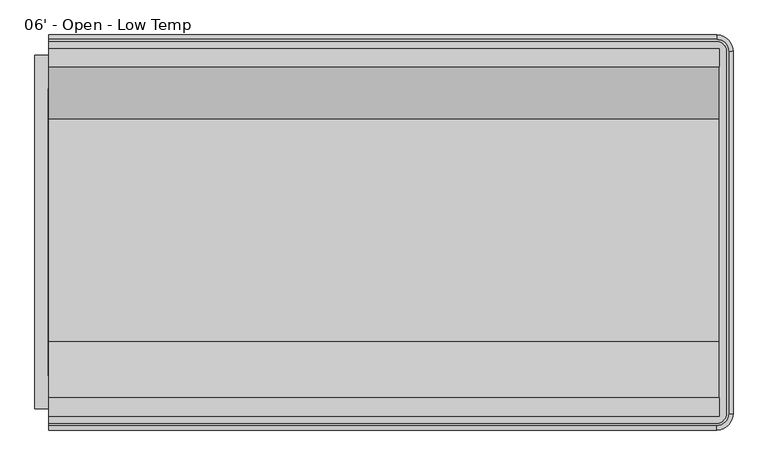
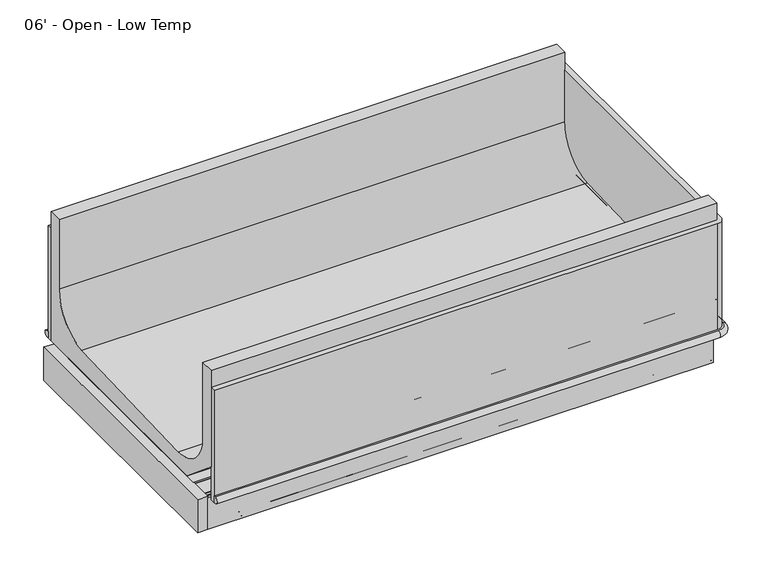
"""IFC4 building model written with IfcOpenShell, lengths in millimetres: proxy geometry, 06' - Open - Low Temp."""

from ifc_helpers import new_model, si_unit, point, frame, frame_2d, origin, place, context, project, spatial, polyline, circle_curve, ellipse_curve, trimmed, segment, composite_curve, outline, extrude, faceted_brep, source, transform, mapped, element, save
from ifc_brep_helpers import plane_surface, cylinder_surface, revolved_surface, advanced_brep


def proxy_06_open_low_temp_5f4c3db3(model_context):
    return source(origin(), model_context, "Body", "SolidModel", [
        extrude(outline(composite_curve([segment(trimmed(circle_curve(frame_2d((1632.6857348, -1195.4118533)), 12.7), [point((1619.9857348, -1195.4118533))], [point((1645.3857348, -1195.4118533))], False, "CARTESIAN"), True, "CONTINUOUS"), segment(trimmed(circle_curve(frame_2d((1632.6857348, -1195.4118533)), 12.7), [point((1645.3857348, -1195.4118533))], [point((1619.9857348, -1195.4118533))], False, "CARTESIAN"), True, "CONTINUOUS")], self_intersect=False)), frame((0.0, 0.0, 267.1357836), z_axis=(0.0, 0.0, 1.0), x_axis=(1.0, 0.0, 0.0)), (0.0, 0.0, 1.0), 111.4880864),
        extrude(outline(composite_curve([segment(trimmed(circle_curve(frame_2d((1582.3411097, -1195.4118533)), 9.525), [point((1572.8161097, -1195.4118533))], [point((1591.8661097, -1195.4118533))], False, "CARTESIAN"), True, "CONTINUOUS"), segment(trimmed(circle_curve(frame_2d((1582.3411097, -1195.4118533)), 9.525), [point((1591.8661097, -1195.4118533))], [point((1572.8161097, -1195.4118533))], False, "CARTESIAN"), True, "CONTINUOUS")], self_intersect=False)), frame((0.0, 0.0, 267.1357836), z_axis=(0.0, 0.0, 1.0), x_axis=(1.0, 0.0, 0.0)), (0.0, 0.0, 1.0), 111.4880864),
        extrude(outline(composite_curve([segment(trimmed(circle_curve(frame_2d((914.4, -1198.5868533)), 38.1), [point((876.3, -1198.5868533))], [point((952.5, -1198.5868533))], False, "CARTESIAN"), True, "CONTINUOUS"), segment(trimmed(circle_curve(frame_2d((914.4, -1198.5868533)), 38.1), [point((952.5, -1198.5868533))], [point((876.3, -1198.5868533))], False, "CARTESIAN"), True, "CONTINUOUS")], self_intersect=False)), frame((0.0, 0.0, 267.1357836), z_axis=(0.0, 0.0, 1.0), x_axis=(1.0, 0.0, 0.0)), (0.0, 0.0, 1.0), 111.4880864),
        extrude(outline(polyline([(247.65, -1413.6237792), (247.65, -1451.7237792), (133.35, -1451.7237792), (133.35, -1413.6237792), (247.65, -1413.6237792)])), frame((0.0, 0.0, 274.6794054), z_axis=(0.0, 0.0, 1.0), x_axis=(1.0, 0.0, 0.0)), (0.0, 0.0, 1.0), 6.35),
        advanced_brep(
        [(0.0, -1496.0833013, 358.14512), (0.0, -1496.0833013, 332.74512), (0.0, -1502.3063013, 332.74512), (0.0, -1502.3063013, 358.14512), (0.0, -427.7095533, 358.14512), (0.0, -421.4865533, 358.14512), (0.0, -421.4865533, 332.74512), (0.0, -427.7095533, 332.74512), (1870.71, -1502.3063013, 358.14512), (1904.072374, -1468.9439273, 358.14512), (1904.072374, -454.8489273, 358.14512), (1870.71, -421.4865533, 358.14512), (1870.71, -427.7095533, 358.14512), (1897.849374, -454.8489273, 358.14512), (1897.849374, -1468.9439273, 358.14512), (1870.71, -1496.0833013, 358.14512), (1870.71, -421.4865533, 332.74512), (1870.71, -1496.0833013, 332.74512), (1897.849374, -1468.9439273, 332.74512), (1897.849374, -454.8489273, 332.74512), (1870.71, -427.7095533, 332.74512), (1904.072374, -454.8489273, 332.74512), (1904.072374, -1468.9439273, 332.74512), (1870.71, -1502.3063013, 332.74512)],
        [
            (0, 1),
            (1, 2),
            (2, 3, circle_curve(frame((0.0, -1502.3063013, 345.44512), z_axis=(-1.0, 0.0, 0.0), x_axis=(0.0, -1.0, 0.0)), 12.7)),
            (3, 0),
            (4, 5),
            (5, 6, circle_curve(frame((0.0, -421.4865533, 345.44512), z_axis=(-1.0, 0.0, 0.0), x_axis=(0.0, 1.0, 0.0)), 12.7)),
            (6, 7),
            (7, 4),
            (3, 8),
            (8, 9, circle_curve(frame((1870.71, -1468.9439273, 358.14512), z_axis=(0.0, 0.0, 1.0), x_axis=(1.0, 0.0, 0.0)), 33.362374)),
            (9, 10),
            (10, 11, circle_curve(frame((1870.71, -454.8489273, 358.14512), z_axis=(0.0, 0.0, 1.0), x_axis=(0.0, 1.0, 0.0)), 33.362374)),
            (11, 5),
            (4, 12),
            (12, 13, circle_curve(frame((1870.71, -454.8489273, 358.14512), z_axis=(0.0, 0.0, -1.0), x_axis=(0.0, 1.0, 0.0)), 27.139374)),
            (13, 14),
            (14, 15, circle_curve(frame((1870.71, -1468.9439273, 358.14512), z_axis=(0.0, 0.0, -1.0), x_axis=(1.0, 0.0, 0.0)), 27.139374)),
            (15, 0),
            (11, 16, circle_curve(frame((1870.71, -421.4865533, 345.44512), z_axis=(-1.0, 0.0, 0.0), x_axis=(0.0, 1.0, 0.0)), 12.7)),
            (16, 6),
            (1, 17),
            (17, 18, circle_curve(frame((1870.71, -1468.9439273, 332.74512), z_axis=(0.0, 0.0, 1.0), x_axis=(1.0, 0.0, 0.0)), 27.139374)),
            (18, 19),
            (19, 20, circle_curve(frame((1870.71, -454.8489273, 332.74512), z_axis=(0.0, 0.0, 1.0), x_axis=(0.0, 1.0, 0.0)), 27.139374)),
            (20, 7),
            (16, 21, circle_curve(frame((1870.71, -454.8489273, 332.74512), z_axis=(0.0, 0.0, -1.0), x_axis=(0.0, 1.0, 0.0)), 33.362374)),
            (21, 22),
            (22, 23, circle_curve(frame((1870.71, -1468.9439273, 332.74512), z_axis=(0.0, 0.0, -1.0), x_axis=(1.0, 0.0, 0.0)), 33.362374)),
            (23, 2),
            (20, 12),
            (10, 21, circle_curve(frame((1904.072374, -454.8489273, 345.44512), z_axis=(0.0, 1.0, 0.0), x_axis=(1.0, 0.0, 0.0)), 12.7)),
            (19, 13),
            (9, 22, circle_curve(frame((1904.072374, -1468.9439273, 345.44512), z_axis=(0.0, 1.0, 0.0), x_axis=(1.0, 0.0, 0.0)), 12.7)),
            (18, 14),
            (8, 23, circle_curve(frame((1870.71, -1502.3063013, 345.44512), z_axis=(1.0, 0.0, 0.0), x_axis=(0.0, -1.0, 0.0)), 12.7)),
            (17, 15),
        ],
        [
            plane_surface(frame((0.0, -1522.2839273, 717.55), z_axis=(-1.0, 0.0, 0.0), x_axis=(0.0, 0.0, 1.0))),
            plane_surface(frame((0.0, -401.5089273, 717.55), z_axis=(-1.0, 0.0, 0.0), x_axis=(0.0, 0.0, 1.0))),
            plane_surface(frame((0.0, -427.7095533, 358.14512), z_axis=(0.0, 0.0, 1.0), x_axis=(1.0, 0.0, 0.0))),
            cylinder_surface(frame((0.0, -421.4865533, 345.44512), z_axis=(-1.0, 0.0, 0.0), x_axis=(0.0, 1.0, 0.0)), 12.7),
            plane_surface(frame((0.0, -421.4865533, 332.74512), z_axis=(0.0, 0.0, -1.0), x_axis=(1.0, 0.0, 0.0))),
            plane_surface(frame((0.0, -427.7095533, 332.74512), z_axis=(0.0, -1.0, 0.0), x_axis=(1.0, 0.0, 0.0))),
            revolved_surface(trimmed(ellipse_curve(frame((1870.71, -421.4865533, 345.44512), z_axis=(-1.0, 0.0, 0.0), x_axis=(0.0, 1.0, 0.0)), 12.7, 12.7), [point((1870.71, -421.4865533, 358.14512))], [point((1870.71, -421.4865533, 332.74512))], True, "CARTESIAN"), (1870.71, -454.8489273, 717.55), (0.0, 0.0, -1.0)),
            revolved_surface(polyline([(1870.71, -427.70955330000004, 332.74512), (1870.71, -427.70955330000004, 358.14512)]), (1870.71, -454.8489273, 717.55), (0.0, 0.0, -1.0)),
            cylinder_surface(frame((1904.072374, -454.8489273, 345.44512), z_axis=(0.0, 1.0, 0.0), x_axis=(1.0, 0.0, 0.0)), 12.7),
            plane_surface(frame((1897.849374, -454.8489273, 332.74512), z_axis=(-1.0, 0.0, 0.0), x_axis=(0.0, -1.0, 0.0))),
            revolved_surface(trimmed(ellipse_curve(frame((1904.072374, -1468.9439273, 345.44512), z_axis=(0.0, 1.0, 0.0), x_axis=(1.0, 0.0, 0.0)), 12.7, 12.7), [point((1904.072374, -1468.9439273, 358.14512))], [point((1904.072374, -1468.9439273, 332.74512))], True, "CARTESIAN"), (1870.71, -1468.9439273, 717.55), (0.0, 0.0, -1.0)),
            revolved_surface(polyline([(1897.8493740000001, -1468.9439273, 332.74512), (1897.8493740000001, -1468.9439273, 358.14512)]), (1870.71, -1468.9439273, 717.55), (0.0, 0.0, -1.0)),
            cylinder_surface(frame((1870.71, -1502.3063013, 345.44512), z_axis=(1.0, 0.0, 0.0), x_axis=(0.0, -1.0, 0.0)), 12.7),
            plane_surface(frame((1870.71, -1496.0833013, 332.74512), z_axis=(0.0, 1.0, 0.0), x_axis=(-1.0, 0.0, 0.0))),
        ],
        [
            (0, [[1, 2, 3, 4]]),
            (1, [[5, 6, 7, 8]]),
            (2, [[-4, 9, 10, 11, 12, 13, -5, 14, 15, 16, 17, 18]]),
            (3, [[-6, -13, 19, 20]]),
            (4, [[-2, 21, 22, 23, 24, 25, -7, -20, 26, 27, 28, 29]]),
            (5, [[-8, -25, 30, -14]]),
            (6, [[-12, 31, -26, -19]]),
            (7, [[-15, -30, -24, 32]]),
            (8, [[-11, 33, -27, -31]]),
            (9, [[-16, -32, -23, 34]]),
            (10, [[-10, 35, -28, -33]]),
            (11, [[-17, -34, -22, 36]]),
            (12, [[-3, -29, -35, -9]]),
            (13, [[-1, -18, -36, -21]]),
        ],
    ),
        advanced_brep(
        [(1877.7148438, -645.364244, 415.4160788), (1877.7148438, -1266.4759331, 393.268902), (1877.7148438, -1424.2105725, 546.0329855), (1877.7148438, -1424.2105725, 840.41492), (1877.7148438, -1475.9703113, 840.41492), (1877.7148438, -1475.9703113, 460.2391669), (1877.7148438, -1323.1509772, 332.00852), (1877.7148438, -447.8225433, 332.00852), (1877.7148438, -447.8225433, 840.41492), (1877.7148438, -498.2829273, 840.41492), (1877.7148438, -498.2829273, 567.7232408), (0.0, -645.364244, 415.4160788), (0.0, -498.2829273, 567.7232408), (0.0, -498.2829273, 840.41492), (0.0, -447.8225433, 840.41492), (0.0, -447.8225433, 332.00852), (0.0, -1323.1509772, 332.00852), (0.0, -1475.9703113, 460.2391669), (0.0, -1475.9703113, 840.41492), (0.0, -1424.2105725, 840.41492), (0.0, -1424.2105725, 546.0329855), (0.0, -1266.4759331, 393.268902), (914.4, -1248.6431135, 332.00852), (914.4, -1147.0431135, 332.00852), (1608.1375, -1245.4681135, 332.00852), (1608.1375, -1143.8681135, 332.00852), (914.4, -1248.6431135, 378.62387), (914.4, -1147.0431135, 378.62387), (1608.1375, -1245.4681135, 378.62387), (1608.1375, -1143.8681135, 378.62387)],
        [
            (0, 1),
            (1, 2, circle_curve(frame((1877.7148438, -1271.9033854, 545.4803582), z_axis=(-1.0, 0.0, 0.0), x_axis=(0.0, 1.0, 0.0)), 152.3081897)),
            (2, 3),
            (3, 4),
            (4, 5),
            (5, 6),
            (6, 7),
            (7, 8),
            (8, 9),
            (9, 10),
            (10, 0, circle_curve(frame((1877.7148438, -650.6829273, 567.7232408), z_axis=(-1.0, 0.0, 0.0), x_axis=(0.0, 1.0, 0.0)), 152.4)),
            (11, 12, circle_curve(frame((0.0, -650.6829273, 567.7232408), z_axis=(1.0, 0.0, 0.0), x_axis=(0.0, 1.0, 0.0)), 152.4)),
            (12, 13),
            (13, 14),
            (14, 15),
            (15, 16),
            (16, 17),
            (17, 18),
            (18, 19),
            (19, 20),
            (20, 21, circle_curve(frame((0.0, -1271.9033854, 545.4803582), z_axis=(1.0, 0.0, 0.0), x_axis=(0.0, 1.0, 0.0)), 152.3081897)),
            (21, 11),
            (0, 11),
            (21, 1),
            (20, 2),
            (19, 3),
            (18, 4),
            (17, 5),
            (16, 6),
            (15, 7),
            (22, 23, circle_curve(frame((914.4, -1197.8431135, 332.00852), z_axis=(0.0, 0.0, 1.0), x_axis=(0.0, 1.0, 0.0)), 50.8)),
            (23, 22, circle_curve(frame((914.4, -1197.8431135, 332.00852), z_axis=(0.0, 0.0, 1.0), x_axis=(0.0, 1.0, 0.0)), 50.8)),
            (24, 25, circle_curve(frame((1608.1375, -1194.6681135, 332.00852), z_axis=(0.0, 0.0, 1.0), x_axis=(0.0, 1.0, 0.0)), 50.8)),
            (25, 24, circle_curve(frame((1608.1375, -1194.6681135, 332.00852), z_axis=(0.0, 0.0, 1.0), x_axis=(0.0, 1.0, 0.0)), 50.8)),
            (14, 8),
            (13, 9),
            (12, 10),
            (26, 27, circle_curve(frame((914.4, -1197.8431135, 378.62387), z_axis=(0.0, 0.0, -1.0), x_axis=(0.0, 1.0, 0.0)), 50.8)),
            (27, 26, circle_curve(frame((914.4, -1197.8431135, 378.62387), z_axis=(0.0, 0.0, -1.0), x_axis=(0.0, 1.0, 0.0)), 50.8)),
            (27, 23),
            (22, 26),
            (28, 29, circle_curve(frame((1608.1375, -1194.6681135, 378.62387), z_axis=(0.0, 0.0, -1.0), x_axis=(0.0, 1.0, 0.0)), 50.8)),
            (29, 28, circle_curve(frame((1608.1375, -1194.6681135, 378.62387), z_axis=(0.0, 0.0, -1.0), x_axis=(0.0, 1.0, 0.0)), 50.8)),
            (29, 25),
            (24, 28),
        ],
        [
            plane_surface(frame((1877.7148438, -1266.4759331, 393.268902), z_axis=(1.0, 0.0, 0.0), x_axis=(0.0, -0.999364883420705, -0.03563467111565395))),
            plane_surface(frame((0.0, -1266.4759331, 393.268902), z_axis=(-1.0, 0.0, 0.0), x_axis=(0.0, 0.999364883420705, 0.03563467111565395))),
            plane_surface(frame((1877.7148438, -645.364244, 415.4160788), z_axis=(0.0, -0.03563467111565395, 0.999364883420705), x_axis=(-1.0, 0.0, 0.0))),
            revolved_surface(polyline([(0.0, -1119.5951957, 545.4803582), (1877.7148438, -1119.5951957, 545.4803582)]), (0.0, -1271.9033854, 545.4803582), (-1.0, 0.0, 0.0)),
            plane_surface(frame((1877.7148438, -1424.2105725, 546.0329855), z_axis=(0.0, 1.0, 0.0), x_axis=(-1.0, 0.0, 0.0))),
            plane_surface(frame((1877.7148438, -1424.2105725, 840.41492), z_axis=(0.0, 0.0, 1.0), x_axis=(-1.0, 0.0, 0.0))),
            plane_surface(frame((1877.7148438, -1475.9703113, 840.41492), z_axis=(0.0, -1.0, 0.0), x_axis=(-1.0, 0.0, 0.0))),
            plane_surface(frame((1877.7148438, -1475.9703113, 460.2391669), z_axis=(0.0, -0.6427876096896754, -0.7660444431163466), x_axis=(-1.0, 0.0, 0.0))),
            plane_surface(frame((1877.7148438, -1323.1509772, 332.00852), z_axis=(0.0, 0.0, -1.0), x_axis=(-1.0, 0.0, 0.0))),
            plane_surface(frame((1877.7148438, -447.8225433, 332.00852), z_axis=(0.0, 1.0, 0.0), x_axis=(-1.0, 0.0, 0.0))),
            plane_surface(frame((1877.7148438, -447.8225433, 840.41492), z_axis=(0.0, 0.0, 1.0), x_axis=(-1.0, 0.0, 0.0))),
            plane_surface(frame((1877.7148438, -498.2829273, 840.41492), z_axis=(0.0, -1.0, 0.0), x_axis=(-1.0, 0.0, 0.0))),
            revolved_surface(polyline([(0.0, -498.2829273, 567.7232408), (1877.7148438, -498.2829273, 567.7232408)]), (0.0, -650.6829273, 567.7232408), (-1.0, 0.0, 0.0)),
            plane_surface(frame((914.4, -1147.0431135, 378.62387), z_axis=(0.0, 0.0, -1.0), x_axis=(-1.0, 0.0, 0.0))),
            revolved_surface(polyline([(914.4, -1147.0431135000001, 378.62387), (914.4, -1147.0431135000001, 332.00852)]), (914.4, -1197.8431135, 277.02387), (0.0, 0.0, 1.0)),
            plane_surface(frame((1608.1375, -1143.8681135, 378.62387), z_axis=(0.0, 0.0, -1.0), x_axis=(-1.0, 0.0, 0.0))),
            revolved_surface(polyline([(1608.1375, -1143.8681135, 378.62387), (1608.1375, -1143.8681135, 332.00852)]), (1608.1375, -1194.6681135, 277.02387), (0.0, 0.0, 1.0)),
        ],
        [
            (0, [[1, 2, 3, 4, 5, 6, 7, 8, 9, 10, 11]]),
            (1, [[12, 13, 14, 15, 16, 17, 18, 19, 20, 21, 22]]),
            (2, [[-1, 23, -22, 24]]),
            (3, [[-2, -24, -21, 25]]),
            (4, [[-3, -25, -20, 26]]),
            (5, [[-4, -26, -19, 27]]),
            (6, [[-5, -27, -18, 28]]),
            (7, [[-6, -28, -17, 29]]),
            (8, [[-7, -29, -16, 30], [31, 32], [33, 34]]),
            (9, [[-8, -30, -15, 35]]),
            (10, [[-9, -35, -14, 36]]),
            (11, [[-10, -36, -13, 37]]),
            (12, [[-11, -37, -12, -23]]),
            (13, [[38, 39]]),
            (14, [[-39, 40, -31, 41]]),
            (14, [[-38, -41, -32, -40]]),
            (15, [[42, 43]]),
            (16, [[-43, 44, -33, 45]]),
            (16, [[-42, -45, -34, -44]]),
        ],
    ),
        faceted_brep([(1877.7148438, -1455.9322513, 325.9788642), (1877.7148438, -1455.9322513, 202.18277), (1877.7148438, -1445.1118513, 202.18277), (1877.7148438, -1445.1118513, 325.9788642), (0.0, -1455.9322513, 325.9788642), (0.0, -1445.1118513, 325.9788642), (0.0, -1445.1118513, 202.18277), (0.0, -1455.9322513, 202.18277), (133.35, -1445.1118513, 202.18277), (133.35, -1451.7237792, 202.18277), (247.65, -1451.7237792, 202.18277), (247.65, -1445.1118513, 202.18277), (247.65, -1445.1118513, 281.0294054), (133.35, -1445.1118513, 281.0294054), (247.65, -1451.7237792, 281.0294054), (133.35, -1451.7237792, 281.0294054)], [[[0, 1, 2, 3]], [[4, 5, 6, 7]], [[1, 0, 4, 7]], [[2, 1, 7, 6, 8, 9, 10, 11]], [[3, 2, 11, 12, 13, 8, 6, 5]], [[0, 3, 5, 4]], [[14, 15, 13, 12]], [[10, 14, 12, 11]], [[15, 14, 10, 9]], [[15, 9, 8, 13]]]),
        faceted_brep([(1877.7148438, -466.0942513, 325.9788642), (1877.7148438, -476.9146513, 325.9788642), (1877.7148438, -476.9146513, 202.18277), (1877.7148438, -466.0942513, 202.18277), (0.0, -466.0942513, 325.9788642), (0.0, -466.0942513, 202.18277), (0.0, -476.9146513, 202.18277), (0.0, -476.9146513, 325.9788642)], [[[0, 1, 2, 3]], [[4, 5, 6, 7]], [[1, 0, 4, 7]], [[2, 1, 7, 6]], [[3, 2, 6, 5]], [[0, 3, 5, 4]]]),
        advanced_brep(
        [(1877.7148438, -1432.4118513, 203.70677), (1877.7148438, -1432.4118513, 218.05777), (1877.7148438, -1430.9132513, 218.05777), (1877.7148438, -1430.9132513, 327.2908141), (1877.7148438, -1432.8052072, 329.18277), (1877.7148438, -1443.5878513, 329.18277), (1877.7148438, -1445.1118513, 327.65877), (1877.7148438, -1445.1118513, 203.7555594), (1877.7148438, -1443.5390619, 202.18277), (1877.7148438, -1433.9358513, 202.18277), (0.0, -1432.4118513, 203.70677), (0.0, -1433.9358513, 202.18277), (0.0, -1443.5390619, 202.18277), (0.0, -1445.1118513, 203.7555594), (0.0, -1445.1118513, 327.65877), (0.0, -1443.5878513, 329.18277), (0.0, -1432.8052072, 329.18277), (0.0, -1430.9132513, 327.2908141), (0.0, -1430.9132513, 218.05777), (0.0, -1432.4118513, 218.05777), (247.65, -1432.4118513, 203.70677), (247.65, -1432.4118513, 218.05777), (133.35, -1432.4118513, 218.05777), (133.35, -1432.4118513, 203.70677), (247.65, -1430.9132513, 218.05777), (133.35, -1430.9132513, 218.05777), (247.65, -1430.9132513, 281.0294054), (133.35, -1430.9132513, 281.0294054), (133.35, -1445.1118513, 203.7555594), (133.35, -1445.1118513, 281.0294054), (247.65, -1445.1118513, 281.0294054), (247.65, -1445.1118513, 203.7555594), (247.65, -1443.5390619, 202.18277), (133.35, -1443.5390619, 202.18277), (247.65, -1433.9358513, 202.18277), (133.35, -1433.9358513, 202.18277)],
        [
            (0, 1),
            (1, 2),
            (2, 3),
            (3, 4, circle_curve(frame((1877.7148438, -1432.8052072, 327.2908141), z_axis=(1.0, 0.0, 0.0), x_axis=(0.0, 1.0, 0.0)), 1.8919559)),
            (4, 5),
            (5, 6, circle_curve(frame((1877.7148438, -1443.5878513, 327.65877), z_axis=(1.0, 0.0, 0.0), x_axis=(0.0, 1.0, 0.0)), 1.524)),
            (6, 7),
            (7, 8, circle_curve(frame((1877.7148438, -1443.5390619, 203.7555594), z_axis=(1.0, 0.0, 0.0), x_axis=(0.0, 1.0, 0.0)), 1.5727894)),
            (8, 9),
            (9, 0, circle_curve(frame((1877.7148438, -1433.9358513, 203.70677), z_axis=(1.0, 0.0, 0.0), x_axis=(0.0, 1.0, 0.0)), 1.524)),
            (10, 11, circle_curve(frame((0.0, -1433.9358513, 203.70677), z_axis=(-1.0, 0.0, 0.0), x_axis=(0.0, 1.0, 0.0)), 1.524)),
            (11, 12),
            (12, 13, circle_curve(frame((0.0, -1443.5390619, 203.7555594), z_axis=(-1.0, 0.0, 0.0), x_axis=(0.0, 1.0, 0.0)), 1.5727894)),
            (13, 14),
            (14, 15, circle_curve(frame((0.0, -1443.5878513, 327.65877), z_axis=(-1.0, 0.0, 0.0), x_axis=(0.0, 1.0, 0.0)), 1.524)),
            (15, 16),
            (16, 17, circle_curve(frame((0.0, -1432.8052072, 327.2908141), z_axis=(-1.0, 0.0, 0.0), x_axis=(0.0, 1.0, 0.0)), 1.8919559)),
            (17, 18),
            (18, 19),
            (19, 10),
            (0, 20),
            (20, 21),
            (21, 1),
            (19, 22),
            (22, 23),
            (23, 10),
            (21, 24),
            (24, 2),
            (18, 25),
            (25, 22),
            (24, 26),
            (26, 27),
            (27, 25),
            (17, 3),
            (16, 4),
            (15, 5),
            (14, 6),
            (13, 28),
            (28, 29),
            (29, 30),
            (30, 31),
            (31, 7),
            (31, 32, circle_curve(frame((247.65, -1443.5390619, 203.7555594), z_axis=(1.0, 0.0, 0.0), x_axis=(0.0, 1.0, 0.0)), 1.5727894)),
            (32, 8),
            (12, 33),
            (33, 28, circle_curve(frame((133.35, -1443.5390619, 203.7555594), z_axis=(-1.0, 0.0, 0.0), x_axis=(0.0, 1.0, 0.0)), 1.5727894)),
            (32, 34),
            (34, 9),
            (11, 35),
            (35, 33),
            (34, 20, circle_curve(frame((247.65, -1433.9358513, 203.70677), z_axis=(1.0, 0.0, 0.0), x_axis=(0.0, 1.0, 0.0)), 1.524)),
            (23, 35, circle_curve(frame((133.35, -1433.9358513, 203.70677), z_axis=(-1.0, 0.0, 0.0), x_axis=(0.0, 1.0, 0.0)), 1.524)),
            (26, 30),
            (29, 27),
        ],
        [
            plane_surface(frame((1877.7148438, -1432.4118513, 218.05777), z_axis=(1.0, 0.0, 0.0), x_axis=(0.0, 0.0, 1.0))),
            plane_surface(frame((0.0, -1432.4118513, 218.05777), z_axis=(-1.0, 0.0, 0.0), x_axis=(0.0, 0.0, -1.0))),
            plane_surface(frame((1877.7148438, -1432.4118513, 203.70677), z_axis=(0.0, 1.0, 0.0), x_axis=(-1.0, 0.0, 0.0))),
            plane_surface(frame((1877.7148438, -1432.4118513, 218.05777), z_axis=(0.0, 0.0, -1.0), x_axis=(-1.0, 0.0, 0.0))),
            plane_surface(frame((1877.7148438, -1430.9132513, 218.05777), z_axis=(0.0, 1.0, 0.0), x_axis=(-1.0, 0.0, 0.0))),
            cylinder_surface(frame((0.0, -1432.8052072, 327.2908141), z_axis=(1.0, 0.0, 0.0), x_axis=(0.0, 1.0, 0.0)), 1.8919559),
            plane_surface(frame((1877.7148438, -1432.8052072, 329.18277), z_axis=(0.0, 0.0, 1.0), x_axis=(-1.0, 0.0, 0.0))),
            cylinder_surface(frame((0.0, -1443.5878513, 327.65877), z_axis=(1.0, 0.0, 0.0), x_axis=(0.0, 1.0, 0.0)), 1.524),
            plane_surface(frame((1877.7148438, -1445.1118513, 327.65877), z_axis=(0.0, -1.0, 0.0), x_axis=(-1.0, 0.0, 0.0))),
            cylinder_surface(frame((0.0, -1443.5390619, 203.7555594), z_axis=(1.0, 0.0, 0.0), x_axis=(0.0, 1.0, 0.0)), 1.5727894),
            plane_surface(frame((1877.7148438, -1443.5390619, 202.18277), z_axis=(0.0, 0.0, -1.0), x_axis=(-1.0, 0.0, 0.0))),
            cylinder_surface(frame((0.0, -1433.9358513, 203.70677), z_axis=(1.0, 0.0, 0.0), x_axis=(0.0, 1.0, 0.0)), 1.524),
            plane_surface(frame((0.0, -1481.3322513, 281.0294054), z_axis=(0.0, 0.0, -1.0), x_axis=(1.0, 0.0, 0.0))),
            plane_surface(frame((247.65, -1413.6237792, 202.18277), z_axis=(-1.0, 0.0, 0.0), x_axis=(0.0, 0.0, 1.0))),
            plane_surface(frame((133.35, -1451.7237792, 202.18277), z_axis=(1.0, 0.0, 0.0), x_axis=(0.0, 0.0, 1.0))),
        ],
        [
            (0, [[1, 2, 3, 4, 5, 6, 7, 8, 9, 10]]),
            (1, [[11, 12, 13, 14, 15, 16, 17, 18, 19, 20]]),
            (2, [[-1, 21, 22, 23]]),
            (2, [[-20, 24, 25, 26]]),
            (3, [[-2, -23, 27, 28]]),
            (3, [[-19, 29, 30, -24]]),
            (4, [[-3, -28, 31, 32, 33, -29, -18, 34]]),
            (5, [[-4, -34, -17, 35]]),
            (6, [[-5, -35, -16, 36]]),
            (7, [[-6, -36, -15, 37]]),
            (8, [[-7, -37, -14, 38, 39, 40, 41, 42]]),
            (9, [[-8, -42, 43, 44]]),
            (9, [[-13, 45, 46, -38]]),
            (10, [[-9, -44, 47, 48]]),
            (10, [[-12, 49, 50, -45]]),
            (11, [[-10, -48, 51, -21]]),
            (11, [[-11, -26, 52, -49]]),
            (12, [[53, -40, 54, -32]]),
            (13, [[-53, -31, -27, -22, -51, -47, -43, -41]]),
            (14, [[-54, -39, -46, -50, -52, -25, -30, -33]]),
        ],
    ),
        advanced_brep(
        [(1877.7148438, -489.6146513, 203.70677), (1877.7148438, -488.0906513, 202.18277), (1877.7148438, -478.4874408, 202.18277), (1877.7148438, -476.9146513, 203.7555594), (1877.7148438, -476.9146513, 327.65877), (1877.7148438, -478.4386513, 329.18277), (1877.7148438, -489.2212954, 329.18277), (1877.7148438, -491.1132513, 327.2908141), (1877.7148438, -491.1132513, 218.05777), (1877.7148438, -489.6146513, 218.05777), (0.0, -489.6146513, 203.70677), (0.0, -489.6146513, 218.05777), (0.0, -491.1132513, 218.05777), (0.0, -491.1132513, 327.2908141), (0.0, -489.2212954, 329.18277), (0.0, -478.4386513, 329.18277), (0.0, -476.9146513, 327.65877), (0.0, -476.9146513, 203.7555594), (0.0, -478.4874408, 202.18277), (0.0, -488.0906513, 202.18277)],
        [
            (0, 1, circle_curve(frame((1877.7148438, -488.0906513, 203.70677), z_axis=(1.0, 0.0, 0.0), x_axis=(0.0, 1.0, 0.0)), 1.524)),
            (1, 2),
            (2, 3, circle_curve(frame((1877.7148438, -478.4874408, 203.7555594), z_axis=(1.0, 0.0, 0.0), x_axis=(0.0, 1.0, 0.0)), 1.5727894)),
            (3, 4),
            (4, 5, circle_curve(frame((1877.7148438, -478.4386513, 327.65877), z_axis=(1.0, 0.0, 0.0), x_axis=(0.0, 1.0, 0.0)), 1.524)),
            (5, 6),
            (6, 7, circle_curve(frame((1877.7148438, -489.2212954, 327.2908141), z_axis=(1.0, 0.0, 0.0), x_axis=(0.0, 1.0, 0.0)), 1.8919559)),
            (7, 8),
            (8, 9),
            (9, 0),
            (10, 11),
            (11, 12),
            (12, 13),
            (13, 14, circle_curve(frame((0.0, -489.2212954, 327.2908141), z_axis=(-1.0, 0.0, 0.0), x_axis=(0.0, 1.0, 0.0)), 1.8919559)),
            (14, 15),
            (15, 16, circle_curve(frame((0.0, -478.4386513, 327.65877), z_axis=(-1.0, 0.0, 0.0), x_axis=(0.0, 1.0, 0.0)), 1.524)),
            (16, 17),
            (17, 18, circle_curve(frame((0.0, -478.4874408, 203.7555594), z_axis=(-1.0, 0.0, 0.0), x_axis=(0.0, 1.0, 0.0)), 1.5727894)),
            (18, 19),
            (19, 10, circle_curve(frame((0.0, -488.0906513, 203.70677), z_axis=(-1.0, 0.0, 0.0), x_axis=(0.0, 1.0, 0.0)), 1.524)),
            (0, 10),
            (19, 1),
            (18, 2),
            (17, 3),
            (16, 4),
            (15, 5),
            (14, 6),
            (13, 7),
            (12, 8),
            (11, 9),
        ],
        [
            plane_surface(frame((1877.7148438, -1432.4118513, 218.05777), z_axis=(1.0, 0.0, 0.0), x_axis=(0.0, 0.0, 1.0))),
            plane_surface(frame((0.0, -1432.4118513, 218.05777), z_axis=(-1.0, 0.0, 0.0), x_axis=(0.0, 0.0, -1.0))),
            cylinder_surface(frame((0.0, -488.0906513, 203.70677), z_axis=(1.0, 0.0, 0.0), x_axis=(0.0, 1.0, 0.0)), 1.524),
            plane_surface(frame((1877.7148438, -488.0906513, 202.18277), z_axis=(0.0, 0.0, -1.0), x_axis=(-1.0, 0.0, 0.0))),
            cylinder_surface(frame((0.0, -478.4874408, 203.7555594), z_axis=(1.0, 0.0, 0.0), x_axis=(0.0, 1.0, 0.0)), 1.5727894),
            plane_surface(frame((1877.7148438, -476.9146513, 203.7555594), z_axis=(0.0, 1.0, 0.0), x_axis=(-1.0, 0.0, 0.0))),
            cylinder_surface(frame((0.0, -478.4386513, 327.65877), z_axis=(1.0, 0.0, 0.0), x_axis=(0.0, 1.0, 0.0)), 1.524),
            plane_surface(frame((1877.7148438, -478.4386513, 329.18277), z_axis=(0.0, 0.0, 1.0), x_axis=(-1.0, 0.0, 0.0))),
            cylinder_surface(frame((0.0, -489.2212954, 327.2908141), z_axis=(1.0, 0.0, 0.0), x_axis=(0.0, 1.0, 0.0)), 1.8919559),
            plane_surface(frame((1877.7148438, -491.1132513, 327.2908141), z_axis=(0.0, -1.0, 0.0), x_axis=(-1.0, 0.0, 0.0))),
            plane_surface(frame((1877.7148438, -491.1132513, 218.05777), z_axis=(0.0, 0.0, -1.0), x_axis=(-1.0, 0.0, 0.0))),
            plane_surface(frame((1877.7148438, -489.6146513, 218.05777), z_axis=(0.0, -1.0, 0.0), x_axis=(-1.0, 0.0, 0.0))),
        ],
        [
            (0, [[1, 2, 3, 4, 5, 6, 7, 8, 9, 10]]),
            (1, [[11, 12, 13, 14, 15, 16, 17, 18, 19, 20]]),
            (2, [[-1, 21, -20, 22]]),
            (3, [[-2, -22, -19, 23]]),
            (4, [[-3, -23, -18, 24]]),
            (5, [[-4, -24, -17, 25]]),
            (6, [[-5, -25, -16, 26]]),
            (7, [[-6, -26, -15, 27]]),
            (8, [[-7, -27, -14, 28]]),
            (9, [[-8, -28, -13, 29]]),
            (10, [[-9, -29, -12, 30]]),
            (11, [[-10, -30, -11, -21]]),
        ],
    ),
        advanced_brep(
        [(1877.7148438, -1362.6507513, 227.926894), (1877.7148438, -1362.6507513, 293.70532), (1877.7148438, -1364.6319513, 293.70532), (1877.7148438, -1364.6319513, 324.82032), (1877.7148438, -1367.8069513, 327.99532), (1877.7148438, -1429.6435261, 327.99532), (1877.7148438, -1432.5007513, 325.1380948), (1877.7148438, -1432.5007513, 213.28892), (1877.7148438, -1428.5383513, 209.32652), (1877.7148438, -1413.3321043, 209.32652), (1877.7148438, -1411.526365, 209.6530509), (0.0, -1362.6507513, 227.926894), (0.0, -1411.526365, 209.6530509), (0.0, -1413.3321043, 209.32652), (0.0, -1428.5383513, 209.32652), (0.0, -1432.5007513, 213.28892), (0.0, -1432.5007513, 325.1380948), (0.0, -1429.6435261, 327.99532), (0.0, -1367.8069513, 327.99532), (0.0, -1364.6319513, 324.82032), (0.0, -1364.6319513, 293.70532), (0.0, -1362.6507513, 293.70532), (133.35, -1432.5007513, 213.28892), (133.35, -1432.5007513, 281.0294054), (247.65, -1432.5007513, 281.0294054), (247.65, -1432.5007513, 213.28892), (247.65, -1428.5383513, 209.32652), (133.35, -1428.5383513, 209.32652), (247.65, -1413.6237792, 209.32652), (133.35, -1413.6237792, 209.32652), (133.35, -1413.6237792, 281.0294054), (247.65, -1413.6237792, 281.0294054)],
        [
            (0, 1),
            (1, 2),
            (2, 3),
            (3, 4, circle_curve(frame((1877.7148438, -1367.8069513, 324.82032), z_axis=(1.0, 0.0, 0.0), x_axis=(0.0, 1.0, 0.0)), 3.175)),
            (4, 5),
            (5, 6, circle_curve(frame((1877.7148438, -1429.6435261, 325.1380948), z_axis=(1.0, 0.0, 0.0), x_axis=(0.0, 1.0, 0.0)), 2.8572252)),
            (6, 7),
            (7, 8, circle_curve(frame((1877.7148438, -1428.5383513, 213.28892), z_axis=(1.0, 0.0, 0.0), x_axis=(0.0, 1.0, 0.0)), 3.9624)),
            (8, 9),
            (9, 10, circle_curve(frame((1877.7148438, -1413.3321043, 214.48272), z_axis=(1.0, 0.0, 0.0), x_axis=(0.0, 1.0, 0.0)), 5.1562)),
            (10, 0),
            (11, 12),
            (12, 13, circle_curve(frame((0.0, -1413.3321043, 214.48272), z_axis=(-1.0, 0.0, 0.0), x_axis=(0.0, 1.0, 0.0)), 5.1562)),
            (13, 14),
            (14, 15, circle_curve(frame((0.0, -1428.5383513, 213.28892), z_axis=(-1.0, 0.0, 0.0), x_axis=(0.0, 1.0, 0.0)), 3.9624)),
            (15, 16),
            (16, 17, circle_curve(frame((0.0, -1429.6435261, 325.1380948), z_axis=(-1.0, 0.0, 0.0), x_axis=(0.0, 1.0, 0.0)), 2.8572252)),
            (17, 18),
            (18, 19, circle_curve(frame((0.0, -1367.8069513, 324.82032), z_axis=(-1.0, 0.0, 0.0), x_axis=(0.0, 1.0, 0.0)), 3.175)),
            (19, 20),
            (20, 21),
            (21, 11),
            (0, 11),
            (21, 1),
            (20, 2),
            (19, 3),
            (18, 4),
            (17, 5),
            (16, 6),
            (15, 22),
            (22, 23),
            (23, 24),
            (24, 25),
            (25, 7),
            (25, 26, circle_curve(frame((247.65, -1428.5383513, 213.28892), z_axis=(1.0, 0.0, 0.0), x_axis=(0.0, 1.0, 0.0)), 3.9624)),
            (26, 8),
            (14, 27),
            (27, 22, circle_curve(frame((133.35, -1428.5383513, 213.28892), z_axis=(-1.0, 0.0, 0.0), x_axis=(0.0, 1.0, 0.0)), 3.9624)),
            (26, 28),
            (28, 29),
            (29, 27),
            (13, 9),
            (12, 10),
            (30, 31),
            (31, 24),
            (23, 30),
            (31, 28),
            (29, 30),
        ],
        [
            plane_surface(frame((1877.7148438, -1362.6507513, 332.00852), z_axis=(1.0, 0.0, 0.0), x_axis=(0.0, 0.0, 1.0))),
            plane_surface(frame((0.0, -1362.6507513, 332.00852), z_axis=(-1.0, 0.0, 0.0), x_axis=(0.0, 0.0, -1.0))),
            plane_surface(frame((1877.7148438, -1362.6507513, 227.926894), z_axis=(0.0, 1.0, 0.0), x_axis=(-1.0, 0.0, 0.0))),
            plane_surface(frame((1877.7148438, -1362.6507513, 293.70532), z_axis=(0.0, 0.0, 1.0), x_axis=(-1.0, 0.0, 0.0))),
            plane_surface(frame((1877.7148438, -1364.6319513, 293.70532), z_axis=(0.0, 1.0, 0.0), x_axis=(-1.0, 0.0, 0.0))),
            cylinder_surface(frame((0.0, -1367.8069513, 324.82032), z_axis=(1.0, 0.0, 0.0), x_axis=(0.0, 1.0, 0.0)), 3.175),
            plane_surface(frame((1877.7148438, -1367.8069513, 327.99532), z_axis=(0.0, 0.0, 1.0), x_axis=(-1.0, 0.0, 0.0))),
            cylinder_surface(frame((0.0, -1429.6435261, 325.1380948), z_axis=(1.0, 0.0, 0.0), x_axis=(0.0, 1.0, 0.0)), 2.8572252),
            plane_surface(frame((1877.7148438, -1432.5007513, 325.1380948), z_axis=(0.0, -1.0, 0.0), x_axis=(-1.0, 0.0, 0.0))),
            cylinder_surface(frame((0.0, -1428.5383513, 213.28892), z_axis=(1.0, 0.0, 0.0), x_axis=(0.0, 1.0, 0.0)), 3.9624),
            plane_surface(frame((1877.7148438, -1428.5383513, 209.32652), z_axis=(0.0, 0.0, -1.0), x_axis=(-1.0, 0.0, 0.0))),
            cylinder_surface(frame((0.0, -1413.3321043, 214.48272), z_axis=(1.0, 0.0, 0.0), x_axis=(0.0, 1.0, 0.0)), 5.1562),
            plane_surface(frame((1877.7148438, -1411.526365, 209.6530509), z_axis=(0.0, 0.35020738115642, -0.9366721892869255), x_axis=(-1.0, 0.0, 0.0))),
            plane_surface(frame((0.0, -1481.3322513, 281.0294054), z_axis=(0.0, 0.0, -1.0), x_axis=(1.0, 0.0, 0.0))),
            plane_surface(frame((247.65, -1413.6237792, 202.18277), z_axis=(-1.0, 0.0, 0.0), x_axis=(0.0, 0.0, 1.0))),
            plane_surface(frame((133.35, -1451.7237792, 202.18277), z_axis=(1.0, 0.0, 0.0), x_axis=(0.0, 0.0, 1.0))),
            plane_surface(frame((133.35, -1413.6237792, 202.18277), z_axis=(0.0, -1.0, 0.0), x_axis=(0.0, 0.0, 1.0))),
        ],
        [
            (0, [[1, 2, 3, 4, 5, 6, 7, 8, 9, 10, 11]]),
            (1, [[12, 13, 14, 15, 16, 17, 18, 19, 20, 21, 22]]),
            (2, [[-1, 23, -22, 24]]),
            (3, [[-2, -24, -21, 25]]),
            (4, [[-3, -25, -20, 26]]),
            (5, [[-4, -26, -19, 27]]),
            (6, [[-5, -27, -18, 28]]),
            (7, [[-6, -28, -17, 29]]),
            (8, [[-7, -29, -16, 30, 31, 32, 33, 34]]),
            (9, [[-8, -34, 35, 36]]),
            (9, [[-15, 37, 38, -30]]),
            (10, [[-9, -36, 39, 40, 41, -37, -14, 42]]),
            (11, [[-10, -42, -13, 43]]),
            (12, [[-11, -43, -12, -23]]),
            (13, [[44, 45, -32, 46]]),
            (14, [[-45, 47, -39, -35, -33]]),
            (15, [[-46, -31, -38, -41, 48]]),
            (16, [[-44, -48, -40, -47]]),
        ],
    ),
        advanced_brep(
        [(1877.7148438, -559.3757513, 227.926894), (1877.7148438, -510.5001377, 209.6530509), (1877.7148438, -508.6943984, 209.32652), (1877.7148438, -493.4881513, 209.32652), (1877.7148438, -489.5257513, 213.28892), (1877.7148438, -489.5257513, 325.1380948), (1877.7148438, -492.3829765, 327.99532), (1877.7148438, -554.2195513, 327.99532), (1877.7148438, -557.3945513, 324.82032), (1877.7148438, -557.3945513, 293.70532), (1877.7148438, -559.3757513, 293.70532), (0.0, -559.3757513, 227.926894), (0.0, -559.3757513, 293.70532), (0.0, -557.3945513, 293.70532), (0.0, -557.3945513, 324.82032), (0.0, -554.2195513, 327.99532), (0.0, -492.3829765, 327.99532), (0.0, -489.5257513, 325.1380948), (0.0, -489.5257513, 213.28892), (0.0, -493.4881513, 209.32652), (0.0, -508.6943984, 209.32652), (0.0, -510.5001377, 209.6530509)],
        [
            (0, 1),
            (1, 2, circle_curve(frame((1877.7148438, -508.6943984, 214.48272), z_axis=(1.0, 0.0, 0.0), x_axis=(0.0, 1.0, 0.0)), 5.1562)),
            (2, 3),
            (3, 4, circle_curve(frame((1877.7148438, -493.4881513, 213.28892), z_axis=(1.0, 0.0, 0.0), x_axis=(0.0, 1.0, 0.0)), 3.9624)),
            (4, 5),
            (5, 6, circle_curve(frame((1877.7148438, -492.3829765, 325.1380948), z_axis=(1.0, 0.0, 0.0), x_axis=(0.0, 1.0, 0.0)), 2.8572252)),
            (6, 7),
            (7, 8, circle_curve(frame((1877.7148438, -554.2195513, 324.82032), z_axis=(1.0, 0.0, 0.0), x_axis=(0.0, 1.0, 0.0)), 3.175)),
            (8, 9),
            (9, 10),
            (10, 0),
            (11, 12),
            (12, 13),
            (13, 14),
            (14, 15, circle_curve(frame((0.0, -554.2195513, 324.82032), z_axis=(-1.0, 0.0, 0.0), x_axis=(0.0, 1.0, 0.0)), 3.175)),
            (15, 16),
            (16, 17, circle_curve(frame((0.0, -492.3829765, 325.1380948), z_axis=(-1.0, 0.0, 0.0), x_axis=(0.0, 1.0, 0.0)), 2.8572252)),
            (17, 18),
            (18, 19, circle_curve(frame((0.0, -493.4881513, 213.28892), z_axis=(-1.0, 0.0, 0.0), x_axis=(0.0, 1.0, 0.0)), 3.9624)),
            (19, 20),
            (20, 21, circle_curve(frame((0.0, -508.6943984, 214.48272), z_axis=(-1.0, 0.0, 0.0), x_axis=(0.0, 1.0, 0.0)), 5.1562)),
            (21, 11),
            (0, 11),
            (21, 1),
            (20, 2),
            (19, 3),
            (18, 4),
            (17, 5),
            (16, 6),
            (15, 7),
            (14, 8),
            (13, 9),
            (12, 10),
        ],
        [
            plane_surface(frame((1877.7148438, -1362.6507513, 332.00852), z_axis=(1.0, 0.0, 0.0), x_axis=(0.0, 0.0, 1.0))),
            plane_surface(frame((0.0, -1362.6507513, 332.00852), z_axis=(-1.0, 0.0, 0.0), x_axis=(0.0, 0.0, -1.0))),
            plane_surface(frame((1877.7148438, -559.3757513, 227.926894), z_axis=(0.0, -0.35020738115642114, -0.9366721892869251), x_axis=(-1.0, 0.0, 0.0))),
            cylinder_surface(frame((0.0, -508.6943984, 214.48272), z_axis=(1.0, 0.0, 0.0), x_axis=(0.0, 1.0, 0.0)), 5.1562),
            plane_surface(frame((1877.7148438, -508.6943984, 209.32652), z_axis=(0.0, 0.0, -1.0), x_axis=(-1.0, 0.0, 0.0))),
            cylinder_surface(frame((0.0, -493.4881513, 213.28892), z_axis=(1.0, 0.0, 0.0), x_axis=(0.0, 1.0, 0.0)), 3.9624),
            plane_surface(frame((1877.7148438, -489.5257513, 213.28892), z_axis=(0.0, 1.0, 0.0), x_axis=(-1.0, 0.0, 0.0))),
            cylinder_surface(frame((0.0, -492.3829765, 325.1380948), z_axis=(1.0, 0.0, 0.0), x_axis=(0.0, 1.0, 0.0)), 2.8572252),
            plane_surface(frame((1877.7148438, -492.3829765, 327.99532), z_axis=(0.0, 0.0, 1.0), x_axis=(-1.0, 0.0, 0.0))),
            cylinder_surface(frame((0.0, -554.2195513, 324.82032), z_axis=(1.0, 0.0, 0.0), x_axis=(0.0, 1.0, 0.0)), 3.175),
            plane_surface(frame((1877.7148438, -557.3945513, 324.82032), z_axis=(0.0, -1.0, 0.0), x_axis=(-1.0, 0.0, 0.0))),
            plane_surface(frame((1877.7148438, -557.3945513, 293.70532), z_axis=(0.0, 0.0, 1.0), x_axis=(-1.0, 0.0, 0.0))),
            plane_surface(frame((1877.7148438, -559.3757513, 293.70532), z_axis=(0.0, -1.0, 0.0), x_axis=(-1.0, 0.0, 0.0))),
        ],
        [
            (0, [[1, 2, 3, 4, 5, 6, 7, 8, 9, 10, 11]]),
            (1, [[12, 13, 14, 15, 16, 17, 18, 19, 20, 21, 22]]),
            (2, [[-1, 23, -22, 24]]),
            (3, [[-2, -24, -21, 25]]),
            (4, [[-3, -25, -20, 26]]),
            (5, [[-4, -26, -19, 27]]),
            (6, [[-5, -27, -18, 28]]),
            (7, [[-6, -28, -17, 29]]),
            (8, [[-7, -29, -16, 30]]),
            (9, [[-8, -30, -15, 31]]),
            (10, [[-9, -31, -14, 32]]),
            (11, [[-10, -32, -13, 33]]),
            (12, [[-11, -33, -12, -23]]),
        ],
    ),
        advanced_brep(
        [(1877.7148438, -1303.1736264, 235.17737), (1877.7148438, -1303.1736264, 277.02387), (1877.7148438, -618.1091365, 277.02387), (1877.7148438, -618.1091365, 235.17737), (1877.7148438, -611.7591365, 228.82737), (1877.7148438, -597.9923365, 228.82737), (1877.7148438, -597.9923365, 204.95137), (1877.7148438, -561.7633513, 204.95137), (1877.7148438, -559.3757513, 207.33897), (1877.7148438, -559.3757513, 332.00852), (1877.7148438, -1362.6507513, 332.00852), (1877.7148438, -1362.6507513, 207.33897), (1877.7148438, -1360.2631513, 204.95137), (1877.7148438, -1324.0341661, 204.95137), (1877.7148438, -1324.0341661, 228.82737), (1877.7148438, -1309.5236264, 228.82737), (-0.3948756, -1303.1736264, 235.17737), (-0.3948756, -1309.5236264, 228.82737), (-0.3948756, -1324.0341661, 228.82737), (-0.3948756, -1324.0341661, 204.95137), (-0.3948756, -1360.2631513, 204.95137), (-0.3948756, -1362.6507513, 207.33897), (-0.3948756, -1362.6507513, 332.00852), (-0.3948756, -559.3757513, 332.00852), (-0.3948756, -559.3757513, 207.33897), (-0.3948756, -561.7633513, 204.95137), (-0.3948756, -597.9923365, 204.95137), (-0.3948756, -597.9923365, 228.82737), (-0.3948756, -611.7591365, 228.82737), (-0.3948756, -618.1091365, 235.17737), (-0.3948756, -618.1091365, 277.02387), (-0.3948756, -1303.1736264, 277.02387), (914.4, -1248.6431135, 277.02387), (914.4, -1147.0431135, 277.02387), (1608.1375, -1245.4681135, 277.02387), (1608.1375, -1143.8681135, 277.02387), (914.4, -1147.0431135, 332.00852), (914.4, -1248.6431135, 332.00852), (1608.1375, -1143.8681135, 332.00852), (1608.1375, -1245.4681135, 332.00852)],
        [
            (0, 1),
            (1, 2),
            (2, 3),
            (3, 4, circle_curve(frame((1877.7148438, -611.7591365, 235.17737), z_axis=(1.0, 0.0, 0.0), x_axis=(0.0, 1.0, 0.0)), 6.35)),
            (4, 5),
            (5, 6),
            (6, 7),
            (7, 8, circle_curve(frame((1877.7148438, -561.7633513, 207.33897), z_axis=(1.0, 0.0, 0.0), x_axis=(0.0, 1.0, 0.0)), 2.3876)),
            (8, 9),
            (9, 10),
            (10, 11),
            (11, 12, circle_curve(frame((1877.7148438, -1360.2631513, 207.33897), z_axis=(1.0, 0.0, 0.0), x_axis=(0.0, 1.0, 0.0)), 2.3876)),
            (12, 13),
            (13, 14),
            (14, 15),
            (15, 0, circle_curve(frame((1877.7148438, -1309.5236264, 235.17737), z_axis=(1.0, 0.0, 0.0), x_axis=(0.0, 1.0, 0.0)), 6.35)),
            (16, 17, circle_curve(frame((-0.3948756, -1309.5236264, 235.17737), z_axis=(-1.0, 0.0, 0.0), x_axis=(0.0, 1.0, 0.0)), 6.35)),
            (17, 18),
            (18, 19),
            (19, 20),
            (20, 21, circle_curve(frame((-0.3948756, -1360.2631513, 207.33897), z_axis=(-1.0, 0.0, 0.0), x_axis=(0.0, 1.0, 0.0)), 2.3876)),
            (21, 22),
            (22, 23),
            (23, 24),
            (24, 25, circle_curve(frame((-0.3948756, -561.7633513, 207.33897), z_axis=(-1.0, 0.0, 0.0), x_axis=(0.0, 1.0, 0.0)), 2.3876)),
            (25, 26),
            (26, 27),
            (27, 28),
            (28, 29, circle_curve(frame((-0.3948756, -611.7591365, 235.17737), z_axis=(-1.0, 0.0, 0.0), x_axis=(0.0, 1.0, 0.0)), 6.35)),
            (29, 30),
            (30, 31),
            (31, 16),
            (0, 16),
            (31, 1),
            (30, 2),
            (32, 33, circle_curve(frame((914.4, -1197.8431135, 277.02387), z_axis=(0.0, 0.0, 1.0), x_axis=(0.0, 1.0, 0.0)), 50.8)),
            (33, 32, circle_curve(frame((914.4, -1197.8431135, 277.02387), z_axis=(0.0, 0.0, 1.0), x_axis=(0.0, 1.0, 0.0)), 50.8)),
            (34, 35, circle_curve(frame((1608.1375, -1194.6681135, 277.02387), z_axis=(0.0, 0.0, 1.0), x_axis=(0.0, 1.0, 0.0)), 50.8)),
            (35, 34, circle_curve(frame((1608.1375, -1194.6681135, 277.02387), z_axis=(0.0, 0.0, 1.0), x_axis=(0.0, 1.0, 0.0)), 50.8)),
            (29, 3),
            (28, 4),
            (27, 5),
            (26, 6),
            (25, 7),
            (24, 8),
            (23, 9),
            (22, 10),
            (36, 37, circle_curve(frame((914.4, -1197.8431135, 332.00852), z_axis=(0.0, 0.0, -1.0), x_axis=(0.0, 1.0, 0.0)), 50.8)),
            (37, 36, circle_curve(frame((914.4, -1197.8431135, 332.00852), z_axis=(0.0, 0.0, -1.0), x_axis=(0.0, 1.0, 0.0)), 50.8)),
            (38, 39, circle_curve(frame((1608.1375, -1194.6681135, 332.00852), z_axis=(0.0, 0.0, -1.0), x_axis=(0.0, 1.0, 0.0)), 50.8)),
            (39, 38, circle_curve(frame((1608.1375, -1194.6681135, 332.00852), z_axis=(0.0, 0.0, -1.0), x_axis=(0.0, 1.0, 0.0)), 50.8)),
            (21, 11),
            (20, 12),
            (19, 13),
            (18, 14),
            (17, 15),
            (32, 37),
            (36, 33),
            (34, 39),
            (38, 35),
        ],
        [
            plane_surface(frame((1877.7148438, -1303.1736264, 332.00852), z_axis=(1.0, 0.0, 0.0), x_axis=(0.0, 0.0, 1.0))),
            plane_surface(frame((-0.3948756, -1303.1736264, 332.00852), z_axis=(-1.0, 0.0, 0.0), x_axis=(0.0, 0.0, -1.0))),
            plane_surface(frame((1877.7148438, -1303.1736264, 235.17737), z_axis=(0.0, 1.0, 0.0), x_axis=(-1.0, 0.0, 0.0))),
            plane_surface(frame((1877.7148438, -1303.1736264, 277.02387), z_axis=(0.0, 0.0, -1.0), x_axis=(-1.0, 0.0, 0.0))),
            plane_surface(frame((1877.7148438, -618.1091365, 277.02387), z_axis=(0.0, -1.0, 0.0), x_axis=(-1.0, 0.0, 0.0))),
            cylinder_surface(frame((-0.3948756, -611.7591365, 235.17737), z_axis=(1.0, 0.0, 0.0), x_axis=(0.0, 1.0, 0.0)), 6.35),
            plane_surface(frame((1877.7148438, -611.7591365, 228.82737), z_axis=(0.0, 0.0, -1.0), x_axis=(-1.0, 0.0, 0.0))),
            plane_surface(frame((1877.7148438, -597.9923365, 228.82737), z_axis=(0.0, -1.0, 0.0), x_axis=(-1.0, 0.0, 0.0))),
            plane_surface(frame((1877.7148438, -597.9923365, 204.95137), z_axis=(0.0, 0.0, -1.0), x_axis=(-1.0, 0.0, 0.0))),
            cylinder_surface(frame((-0.3948756, -561.7633513, 207.33897), z_axis=(1.0, 0.0, 0.0), x_axis=(0.0, 1.0, 0.0)), 2.3876),
            plane_surface(frame((1877.7148438, -559.3757513, 207.33897), z_axis=(0.0, 1.0, 0.0), x_axis=(-1.0, 0.0, 0.0))),
            plane_surface(frame((1877.7148438, -559.3757513, 332.00852), z_axis=(0.0, 0.0, 1.0), x_axis=(-1.0, 0.0, 0.0))),
            plane_surface(frame((1877.7148438, -1362.6507513, 332.00852), z_axis=(0.0, -1.0, 0.0), x_axis=(-1.0, 0.0, 0.0))),
            cylinder_surface(frame((-0.3948756, -1360.2631513, 207.33897), z_axis=(1.0, 0.0, 0.0), x_axis=(0.0, 1.0, 0.0)), 2.3876),
            plane_surface(frame((1877.7148438, -1360.2631513, 204.95137), z_axis=(0.0, 0.0, -1.0), x_axis=(-1.0, 0.0, 0.0))),
            plane_surface(frame((1877.7148438, -1324.0341661, 204.95137), z_axis=(0.0, 1.0, 0.0), x_axis=(-1.0, 0.0, 0.0))),
            plane_surface(frame((1877.7148438, -1324.0341661, 228.82737), z_axis=(0.0, 0.0, -1.0), x_axis=(-1.0, 0.0, 0.0))),
            cylinder_surface(frame((-0.3948756, -1309.5236264, 235.17737), z_axis=(1.0, 0.0, 0.0), x_axis=(0.0, 1.0, 0.0)), 6.35),
            revolved_surface(polyline([(914.4, -1147.0431135000001, 332.00852), (914.4, -1147.0431135000001, 277.02387)]), (914.4, -1197.8431135, 277.02387), (0.0, 0.0, 1.0)),
            revolved_surface(polyline([(1608.1375, -1143.8681135, 332.00852), (1608.1375, -1143.8681135, 277.02387)]), (1608.1375, -1194.6681135, 277.02387), (0.0, 0.0, 1.0)),
        ],
        [
            (0, [[1, 2, 3, 4, 5, 6, 7, 8, 9, 10, 11, 12, 13, 14, 15, 16]]),
            (1, [[17, 18, 19, 20, 21, 22, 23, 24, 25, 26, 27, 28, 29, 30, 31, 32]]),
            (2, [[-1, 33, -32, 34]]),
            (3, [[-2, -34, -31, 35], [36, 37], [38, 39]]),
            (4, [[-3, -35, -30, 40]]),
            (5, [[-4, -40, -29, 41]]),
            (6, [[-5, -41, -28, 42]]),
            (7, [[-6, -42, -27, 43]]),
            (8, [[-7, -43, -26, 44]]),
            (9, [[-8, -44, -25, 45]]),
            (10, [[-9, -45, -24, 46]]),
            (11, [[-10, -46, -23, 47], [48, 49], [50, 51]]),
            (12, [[-11, -47, -22, 52]]),
            (13, [[-12, -52, -21, 53]]),
            (14, [[-13, -53, -20, 54]]),
            (15, [[-14, -54, -19, 55]]),
            (16, [[-15, -55, -18, 56]]),
            (17, [[-16, -56, -17, -33]]),
            (18, [[57, -48, 58, -36]]),
            (18, [[-57, -37, -58, -49]]),
            (19, [[59, -50, 60, -38]]),
            (19, [[-59, -39, -60, -51]]),
        ],
    ),
        extrude(outline(composite_curve([segment(polyline([(0.0, -1496.0833013), (0.0, -1475.9703113), (1870.71, -1475.9703113)]), True, "CONTINUOUS"), segment(trimmed(circle_curve(frame_2d((1870.71, -1468.9439273)), 7.026384), [point((1870.71, -1475.9703113))], [point((1877.736384, -1468.9439273))], True, "CARTESIAN"), True, "CONTINUOUS"), segment(polyline([(1877.736384, -1468.9439273), (1877.736384, -454.8489273)]), True, "CONTINUOUS"), segment(trimmed(circle_curve(frame_2d((1870.71, -454.8489273)), 7.026384), [point((1877.736384, -454.8489273))], [point((1870.71, -447.8225433))], True, "CARTESIAN"), True, "CONTINUOUS"), segment(polyline([(1870.71, -447.8225433), (0.0, -447.8225433), (0.0, -427.7095533), (1870.71, -427.7095533)]), True, "CONTINUOUS"), segment(trimmed(circle_curve(frame_2d((1870.71, -454.8489273)), 27.139374), [point((1870.71, -427.7095533))], [point((1897.849374, -454.8489273))], False, "CARTESIAN"), True, "CONTINUOUS"), segment(polyline([(1897.849374, -454.8489273), (1897.849374, -1468.9439273)]), True, "CONTINUOUS"), segment(trimmed(circle_curve(frame_2d((1870.71, -1468.9439273)), 27.139374), [point((1897.849374, -1468.9439273))], [point((1870.71, -1496.0833013))], False, "CARTESIAN"), True, "CONTINUOUS"), segment(polyline([(1870.71, -1496.0833013), (0.0, -1496.0833013)]), True, "CONTINUOUS")], self_intersect=False)), frame((0.0, 0.0, 332.00852), z_axis=(0.0, 0.0, 1.0), x_axis=(1.0, 0.0, 0.0)), (0.0, 0.0, 1.0), 441.3885),
        extrude(outline(polyline([(0.0, -466.0942513), (0.0, -1455.9322513), (-38.1, -1455.9322513), (-38.1, -466.0942513), (0.0, -466.0942513)])), frame((0.0, 0.0, 202.18277), z_axis=(0.0, 0.0, 1.0), x_axis=(1.0, 0.0, 0.0)), (0.0, 0.0, 1.0), 129.82575),
    ])


if __name__ == "__main__":
    model = new_model("IFC4")
    model_context = context("Model", 3, world=origin())
    ifc_project = project(units=[si_unit("LENGTHUNIT", "METRE", prefix="MILLI")], contexts=[model_context])
    site = spatial("IfcSite", under=ifc_project)
    building = spatial("IfcBuilding", under=site)
    placement = place(None, origin())
    proxy_06_open_low_temp_shape = proxy_06_open_low_temp_5f4c3db3(model_context)
    element("IfcBuildingElementProxy", 1, Name="06' - Open - Low Temp", ObjectType="06' - Open - Low Temp", at=placement, inside=building, context=model_context, shape_type="MappedRepresentation", body=[
        mapped(proxy_06_open_low_temp_shape, transform((0.0, 0.0, 0.0), x_axis=(1.0, 0.0, 0.0), y_axis=(0.0, 1.0, 0.0), z_axis=(0.0, 0.0, 1.0))),
    ])
    save(model, "model.ifc")
